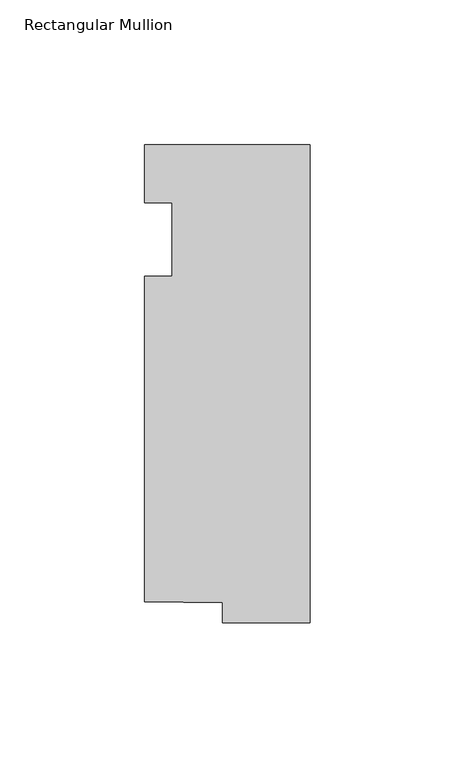
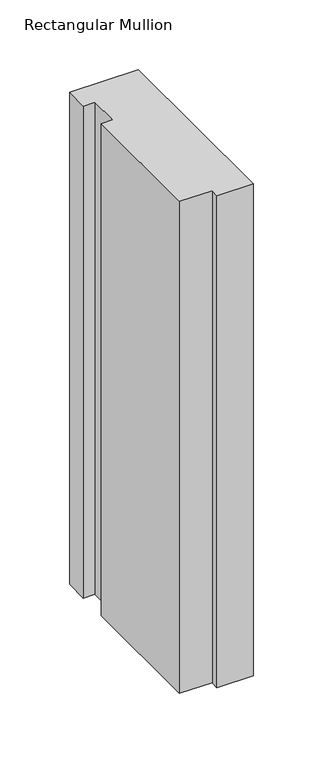
"""IFC4 building model written with IfcOpenShell, lengths in millimetres: member geometry, Rectangular Mullion."""

from ifc_helpers import new_model, si_unit, frame, origin, place, context, project, spatial, polyline, outline, extrude, source, transform, mapped, element, save


def rectangular_mullion_50083135(model_context):
    return source(origin(), model_context, "Body", "SweptSolid", [
        extrude(outline(polyline([(-57.15, 20.0421875), (0.0, 20.0421875), (0.0, -145.0578125), (-30.1646192, -145.0578125), (-30.1646192, -138.1494996), (-57.15, -137.7424054), (-57.15, -25.4), (-47.625, -25.4), (-47.625, 0.0), (-57.15, 0.0), (-57.15, 20.0421875)])), frame((0.0, 0.0, -431.8), z_axis=(0.0, 0.0, 1.0), x_axis=(1.0, 0.0, 0.0)), (0.0, 0.0, 1.0), 431.8),
    ])


if __name__ == "__main__":
    model = new_model("IFC4")
    model_context = context("Model", 3, world=origin())
    ifc_project = project(units=[si_unit("LENGTHUNIT", "METRE", prefix="MILLI")], contexts=[model_context])
    site = spatial("IfcSite", under=ifc_project)
    building = spatial("IfcBuilding", under=site)
    placement = place(None, origin())
    rectangular_mullion_shape = rectangular_mullion_50083135(model_context)
    element("IfcMember", 1, ObjectType="Rectangular Mullion", at=placement, inside=building, context=model_context, shape_type="MappedRepresentation", body=[
        mapped(rectangular_mullion_shape, transform((0.0, 0.0, 0.0), x_axis=(1.0, 0.0, 0.0), y_axis=(0.0, 1.0, 0.0), z_axis=(0.0, 0.0, 1.0))),
    ])
    save(model, "model.ifc")
